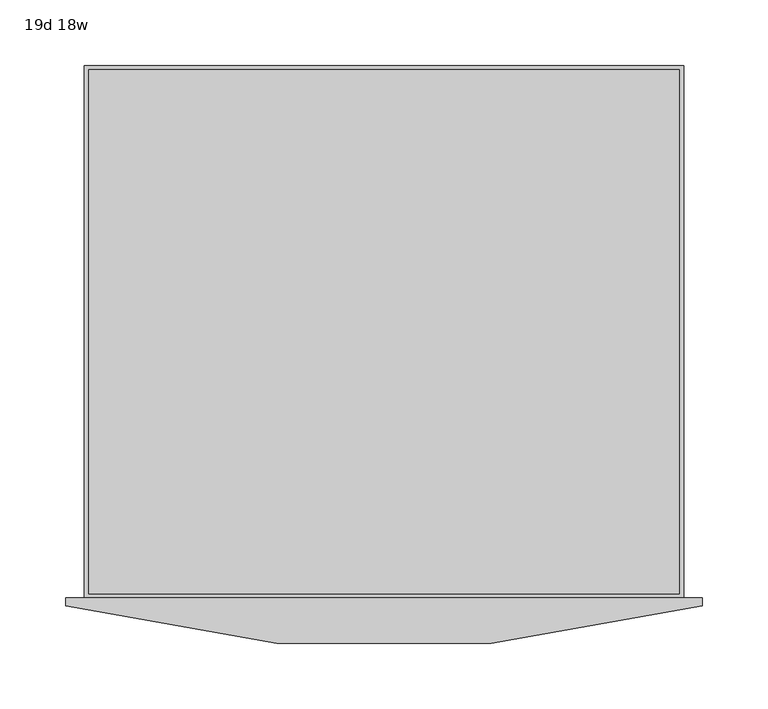
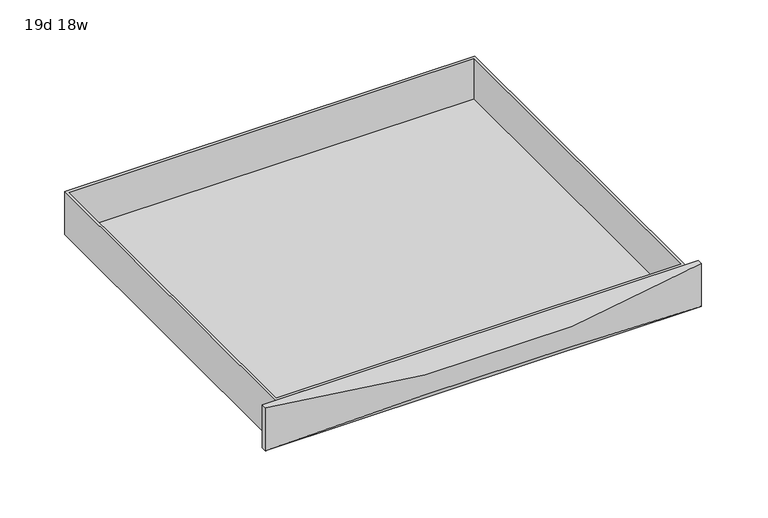
"""IFC4 building model written with IfcOpenShell, lengths in millimetres: furniture geometry, 19d 18w."""

from ifc_helpers import new_model, si_unit, frame, origin, place, context, project, spatial, circle_curve, ellipse_curve, faceted_brep, source, transform, mapped, element, save
from ifc_brep_helpers import plane_surface, cylinder_surface, advanced_brep


def furniture_19d_18w_c28c13fb(model_context):
    return source(origin(), model_context, "Body", "SolidModel", [
        advanced_brep(
        [(-465.2089511, -225.1534766, 704.85), (-465.2089511, -231.1299823, 704.85), (20.7089511, -231.1299823, 704.85), (20.7089511, -225.1534766, 704.85), (-465.2089511, -225.1534766, 654.05), (20.7089511, -225.1534766, 654.05), (20.7089511, -230.822173, 654.05), (-465.2089511, -230.822173, 654.05), (-465.2089511, -231.1299823, 654.3370368), (20.7089511, -231.1299823, 654.3370368)],
        [
            (0, 1),
            (1, 2, circle_curve(frame((-222.25, 660.692449, 704.85), z_axis=(0.0, 0.0, 1.0), x_axis=(1.0, 0.0, 0.0)), 924.324781)),
            (2, 3),
            (3, 0),
            (4, 5),
            (5, 6),
            (6, 7),
            (7, 4),
            (0, 4),
            (7, 8),
            (8, 1),
            (8, 9, ellipse_curve(frame((-222.25, 660.692449, -177.3008345), z_axis=(0.0, 0.6819983600625009, 0.7313537016191682), x_axis=(0.0, -0.7313537016191682, 0.6819983600625009)), 1263.8546561, 924.324781)),
            (9, 2),
            (9, 6),
            (5, 3),
        ],
        [
            plane_surface(frame((-465.2089511, -223.0034973, 704.85), z_axis=(0.0, 0.0, 1.0), x_axis=(0.0, -1.0, 0.0))),
            plane_surface(frame((-465.2089511, -223.0034973, 654.05), z_axis=(0.0, 0.0, -1.0), x_axis=(0.0, 1.0, 0.0))),
            plane_surface(frame((-465.2089511, -225.1534766, 704.85), z_axis=(-1.0, 0.0, 0.0), x_axis=(0.0, 0.0, -1.0))),
            cylinder_surface(frame((-222.25, 660.692449, 654.05), z_axis=(0.0, 0.0, 1.0), x_axis=(1.0, 0.0, 0.0)), 924.324781),
            plane_surface(frame((20.7089511, -231.1299823, 704.85), z_axis=(1.0, 0.0, 0.0), x_axis=(0.0, 0.0, -1.0))),
            plane_surface(frame((20.7089511, -225.1534766, 704.85), z_axis=(0.0, 1.0, 0.0), x_axis=(0.0, 0.0, -1.0))),
            plane_surface(frame((36.2085738, -229.0408304, 652.3888711), z_axis=(0.0, -0.6819983600625009, -0.7313537016191682), x_axis=(-1.0, 0.0, 0.0))),
        ],
        [
            (0, [[1, 2, 3, 4]]),
            (1, [[5, 6, 7, 8]]),
            (2, [[-1, 9, -8, 10, 11]]),
            (3, [[-2, -11, 12, 13]]),
            (4, [[-3, -13, 14, -6, 15]]),
            (5, [[-4, -15, -5, -9]]),
            (6, [[-7, -14, -12, -10]]),
        ],
    ),
        faceted_brep([(6.35, 181.2465234, 704.85), (-450.85, 181.2465234, 704.85), (-450.85, -225.1534766, 704.85), (6.35, -225.1534766, 704.85), (-447.675, 178.0715234, 704.85), (3.175, 178.0715234, 704.85), (3.175, -221.9784766, 704.85), (-447.675, -221.9784766, 704.85), (6.35, 181.2465234, 654.05), (6.35, -225.1534766, 654.05), (-450.85, -225.1534766, 654.05), (-450.85, 181.2465234, 654.05), (3.175, 178.0715234, 657.225), (-447.675, 178.0715234, 657.225), (-447.675, -221.9784766, 657.225), (3.175, -221.9784766, 657.225)], [[[0, 1, 2, 3], [4, 5, 6, 7]], [[8, 9, 10, 11]], [[1, 0, 8, 11]], [[2, 1, 11, 10]], [[3, 2, 10, 9]], [[0, 3, 9, 8]], [[12, 13, 14, 15]], [[13, 12, 5, 4]], [[14, 13, 4, 7]], [[15, 14, 7, 6]], [[12, 15, 6, 5]]]),
    ])


if __name__ == "__main__":
    model = new_model("IFC4")
    model_context = context("Model", 3, world=origin())
    ifc_project = project(units=[si_unit("LENGTHUNIT", "METRE", prefix="MILLI")], contexts=[model_context])
    site = spatial("IfcSite", under=ifc_project)
    building = spatial("IfcBuilding", under=site)
    placement = place(None, origin())
    furniture_19d_18w_shape = furniture_19d_18w_c28c13fb(model_context)
    element("IfcFurniture", 1, ObjectType="19d 18w", at=placement, inside=building, context=model_context, shape_type="MappedRepresentation", body=[
        mapped(furniture_19d_18w_shape, transform((0.0, 0.0, 0.0), x_axis=(1.0, 0.0, 0.0), y_axis=(0.0, 1.0, 0.0), z_axis=(0.0, 0.0, 1.0))),
    ])
    save(model, "model.ifc")
